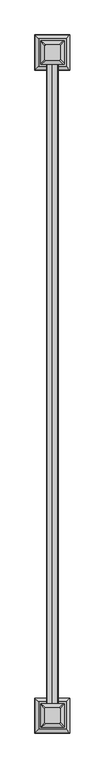
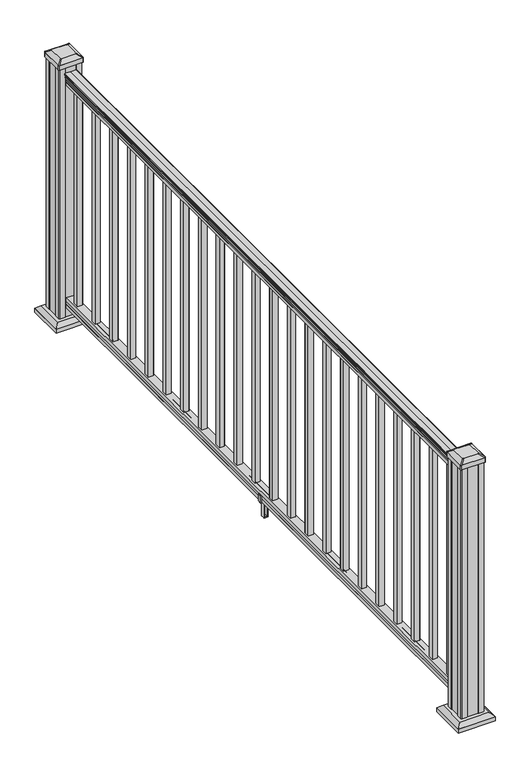
"""IFC4 building model written with IfcOpenShell, lengths in millimetres: railing geometry."""

from ifc_helpers import new_model, si_unit, point, frame, frame_2d, origin, origin_with_axes, place, context, project, spatial, polyline, circle_curve, trimmed, segment, composite_curve, outline, extrude, faceted_brep, source, transform, mapped, element, save
from ifc_brep_helpers import plane_surface, extruded_surface, advanced_brep


def railing_955b9d14(model_context):
    return source(origin(), model_context, "Body", "SolidModel", [
        extrude(outline(composite_curve([segment(trimmed(circle_curve(frame_2d((938.4043297, 953.2427824)), 1.2869144), [point((938.4043297, 951.9558681))], [point((938.4043297, 954.5296968))], False, "CARTESIAN"), True, "CONTINUOUS"), segment(polyline([(938.4043297, 954.5296968), (927.747013, 954.5296968), (926.731013, 953.5136968), (914.4, 953.5136968), (914.4, 985.2636968), (926.8888283, 985.2636968), (927.9048283, 984.2476968), (938.4043297, 984.2476968)]), True, "CONTINUOUS"), segment(trimmed(circle_curve(frame_2d((938.4043297, 985.5346112)), 1.2869144), [point((938.4043297, 984.2476968))], [point((938.4043297, 986.8215255))], False, "CARTESIAN"), True, "CONTINUOUS"), segment(polyline([(938.4043297, 986.8215255), (940.292412, 986.8215255)]), True, "CONTINUOUS"), segment(trimmed(circle_curve(frame_2d((946.0506383, 980.5067723)), 8.545951), [point((940.292412, 986.8215255))], [point((941.8546695, 987.9517118))], False, "CARTESIAN"), True, "CONTINUOUS"), segment(trimmed(circle_curve(frame_2d((945.4636577, 980.9438352)), 7.882584), [point((941.8546695, 987.9517118))], [point((949.0726458, 987.9517118))], False, "CARTESIAN"), True, "CONTINUOUS"), segment(trimmed(circle_curve(frame_2d((951.3112527, 991.4571594)), 4.1592695), [point((949.0726458, 987.9517118))], [point((951.5060812, 987.3024554))], True, "CARTESIAN"), True, "CONTINUOUS"), segment(trimmed(circle_curve(frame_2d((951.2508864, 992.7444659)), 5.4479907), [point((951.5060812, 987.3024554))], [point((955.8362083, 989.8024554))], True, "CARTESIAN"), True, "CONTINUOUS"), segment(trimmed(circle_curve(frame_2d((955.833395, 991.5113075)), 1.7088543), [point((955.8362083, 989.8024554))], [point((957.5157972, 991.2117979))], True, "CARTESIAN"), True, "CONTINUOUS"), segment(trimmed(circle_curve(frame_2d((958.6205318, 989.8944074)), 1.7192895), [point((957.5157972, 991.2117979))], [point((958.6205318, 991.6136969))], False, "CARTESIAN"), True, "CONTINUOUS"), segment(polyline([(958.6205318, 991.6136969), (959.9608158, 991.6136968)]), True, "CONTINUOUS"), segment(trimmed(circle_curve(frame_2d((959.9608158, 990.0602496)), 1.5534472), [point((959.9608158, 991.6136968))], [point((961.514263, 990.0602496))], False, "CARTESIAN"), True, "CONTINUOUS"), segment(polyline([(961.514263, 990.0602496), (961.514263, 969.3886968), (961.514263, 948.717144)]), True, "CONTINUOUS"), segment(trimmed(circle_curve(frame_2d((959.9608158, 948.717144)), 1.5534472), [point((961.514263, 948.717144))], [point((959.9608158, 947.1636968))], False, "CARTESIAN"), True, "CONTINUOUS"), segment(polyline([(959.9608158, 947.1636968), (958.6205318, 947.1636968)]), True, "CONTINUOUS"), segment(trimmed(circle_curve(frame_2d((958.6205318, 948.8829862)), 1.7192895), [point((958.6205318, 947.1636968))], [point((957.5157972, 947.5655957))], False, "CARTESIAN"), True, "CONTINUOUS"), segment(trimmed(circle_curve(frame_2d((955.833395, 947.2660861)), 1.7088543), [point((957.5157972, 947.5655957))], [point((955.8362083, 948.9749382))], True, "CARTESIAN"), True, "CONTINUOUS"), segment(trimmed(circle_curve(frame_2d((951.2508864, 946.0329277)), 5.4479907), [point((955.8362083, 948.9749382))], [point((951.5060812, 951.4749382))], True, "CARTESIAN"), True, "CONTINUOUS"), segment(trimmed(circle_curve(frame_2d((951.3112527, 947.3202343)), 4.1592695), [point((951.5060812, 951.4749382))], [point((949.0726458, 950.8256818))], True, "CARTESIAN"), True, "CONTINUOUS"), segment(trimmed(circle_curve(frame_2d((945.4636577, 957.8335584)), 7.882584), [point((949.0726458, 950.8256818))], [point((941.8546695, 950.8256818))], False, "CARTESIAN"), True, "CONTINUOUS"), segment(trimmed(circle_curve(frame_2d((946.0506383, 958.2706214)), 8.545951), [point((941.8546695, 950.8256818))], [point((940.292412, 951.9558681))], False, "CARTESIAN"), True, "CONTINUOUS"), segment(polyline([(940.292412, 951.9558681), (938.4043297, 951.9558681)]), True, "CONTINUOUS")], self_intersect=False)), frame((0.0, 1991.9647067, 0.0), z_axis=(0.0, 1.0, 0.0), x_axis=(0.0, 0.0, 1.0)), (0.0, 0.0, 1.0), 2438.4),
        extrude(outline(polyline([(76.0541976, 953.4762099), (63.5, 953.4762099), (63.5, 985.2262099), (76.0375508, 985.2262099), (77.3858283, 984.2102099), (87.6975248, 984.2102099), (89.0458024, 985.2262099), (101.5958781, 985.2262099), (101.5958781, 953.4762099), (89.0624492, 953.4762099), (87.7141717, 954.4922099), (77.3546183, 954.4922099), (76.0541976, 953.4762099)])), frame((0.0, 1991.9647067, 0.0), z_axis=(0.0, 1.0, 0.0), x_axis=(0.0, 0.0, 1.0)), (0.0, 0.0, 1.0), 2438.4),
        extrude(outline(polyline([(959.8636968, 4371.0557067), (959.8636968, 4390.1057067), (978.9136968, 4390.1057067), (978.9136968, 4371.0557067), (959.8636968, 4371.0557067)]), holes=[polyline([(960.2605718, 4371.4525817), (978.5168218, 4371.4525817), (978.5168218, 4389.7088317), (960.2605718, 4389.7088317), (960.2605718, 4371.4525817)])]), frame((0.0, 0.0, 101.5958781), z_axis=(0.0, 0.0, 1.0), x_axis=(1.0, 0.0, 0.0)), (0.0, 0.0, 1.0), 812.8041219),
        extrude(outline(polyline([(959.8636968, 4259.8037067), (959.8636968, 4278.8537067), (978.9136968, 4278.8537067), (978.9136968, 4259.8037067), (959.8636968, 4259.8037067)]), holes=[polyline([(960.2605718, 4260.2005817), (978.5168218, 4260.2005817), (978.5168218, 4278.4568317), (960.2605718, 4278.4568317), (960.2605718, 4260.2005817)])]), frame((0.0, 0.0, 101.5958781), z_axis=(0.0, 0.0, 1.0), x_axis=(1.0, 0.0, 0.0)), (0.0, 0.0, 1.0), 812.8041219),
        extrude(outline(polyline([(959.8636968, 4148.5517067), (959.8636968, 4167.6017067), (978.9136968, 4167.6017067), (978.9136968, 4148.5517067), (959.8636968, 4148.5517067)]), holes=[polyline([(960.2605718, 4148.9485817), (978.5168218, 4148.9485817), (978.5168218, 4167.2048317), (960.2605718, 4167.2048317), (960.2605718, 4148.9485817)])]), frame((0.0, 0.0, 101.5958781), z_axis=(0.0, 0.0, 1.0), x_axis=(1.0, 0.0, 0.0)), (0.0, 0.0, 1.0), 812.8041219),
        extrude(outline(polyline([(959.8636968, 4037.2997067), (959.8636968, 4056.3497067), (978.9136968, 4056.3497067), (978.9136968, 4037.2997067), (959.8636968, 4037.2997067)]), holes=[polyline([(960.2605718, 4037.6965817), (978.5168218, 4037.6965817), (978.5168218, 4055.9528317), (960.2605718, 4055.9528317), (960.2605718, 4037.6965817)])]), frame((0.0, 0.0, 101.5958781), z_axis=(0.0, 0.0, 1.0), x_axis=(1.0, 0.0, 0.0)), (0.0, 0.0, 1.0), 812.8041219),
        extrude(outline(polyline([(959.8636968, 3926.0477067), (959.8636968, 3945.0977067), (978.9136968, 3945.0977067), (978.9136968, 3926.0477067), (959.8636968, 3926.0477067)]), holes=[polyline([(960.2605718, 3926.4445817), (978.5168218, 3926.4445817), (978.5168218, 3944.7008317), (960.2605718, 3944.7008317), (960.2605718, 3926.4445817)])]), frame((0.0, 0.0, 101.5958781), z_axis=(0.0, 0.0, 1.0), x_axis=(1.0, 0.0, 0.0)), (0.0, 0.0, 1.0), 812.8041219),
        extrude(outline(polyline([(959.8636968, 3814.7957067), (959.8636968, 3833.8457067), (978.9136968, 3833.8457067), (978.9136968, 3814.7957067), (959.8636968, 3814.7957067)]), holes=[polyline([(960.2605718, 3815.1925817), (978.5168218, 3815.1925817), (978.5168218, 3833.4488317), (960.2605718, 3833.4488317), (960.2605718, 3815.1925817)])]), frame((0.0, 0.0, 101.5958781), z_axis=(0.0, 0.0, 1.0), x_axis=(1.0, 0.0, 0.0)), (0.0, 0.0, 1.0), 812.8041219),
        extrude(outline(polyline([(959.8636968, 3703.5437067), (959.8636968, 3722.5937067), (978.9136968, 3722.5937067), (978.9136968, 3703.5437067), (959.8636968, 3703.5437067)]), holes=[polyline([(960.2605718, 3703.9405817), (978.5168218, 3703.9405817), (978.5168218, 3722.1968317), (960.2605718, 3722.1968317), (960.2605718, 3703.9405817)])]), frame((0.0, 0.0, 101.5958781), z_axis=(0.0, 0.0, 1.0), x_axis=(1.0, 0.0, 0.0)), (0.0, 0.0, 1.0), 812.8041219),
        extrude(outline(polyline([(959.8636968, 3592.2917067), (959.8636968, 3611.3417067), (978.9136968, 3611.3417067), (978.9136968, 3592.2917067), (959.8636968, 3592.2917067)]), holes=[polyline([(960.2605718, 3592.6885817), (978.5168218, 3592.6885817), (978.5168218, 3610.9448317), (960.2605718, 3610.9448317), (960.2605718, 3592.6885817)])]), frame((0.0, 0.0, 101.5958781), z_axis=(0.0, 0.0, 1.0), x_axis=(1.0, 0.0, 0.0)), (0.0, 0.0, 1.0), 812.8041219),
        extrude(outline(polyline([(959.8636968, 3481.0397067), (959.8636968, 3500.0897067), (978.9136968, 3500.0897067), (978.9136968, 3481.0397067), (959.8636968, 3481.0397067)]), holes=[polyline([(960.2605718, 3481.4365817), (978.5168218, 3481.4365817), (978.5168218, 3499.6928317), (960.2605718, 3499.6928317), (960.2605718, 3481.4365817)])]), frame((0.0, 0.0, 101.5958781), z_axis=(0.0, 0.0, 1.0), x_axis=(1.0, 0.0, 0.0)), (0.0, 0.0, 1.0), 812.8041219),
        extrude(outline(polyline([(959.8636968, 3369.7877067), (959.8636968, 3388.8377067), (978.9136968, 3388.8377067), (978.9136968, 3369.7877067), (959.8636968, 3369.7877067)]), holes=[polyline([(960.2605718, 3370.1845817), (978.5168218, 3370.1845817), (978.5168218, 3388.4408317), (960.2605718, 3388.4408317), (960.2605718, 3370.1845817)])]), frame((0.0, 0.0, 101.5958781), z_axis=(0.0, 0.0, 1.0), x_axis=(1.0, 0.0, 0.0)), (0.0, 0.0, 1.0), 812.8041219),
        extrude(outline(polyline([(959.8636968, 3258.5357067), (959.8636968, 3277.5857067), (978.9136968, 3277.5857067), (978.9136968, 3258.5357067), (959.8636968, 3258.5357067)]), holes=[polyline([(960.2605718, 3258.9325817), (978.5168218, 3258.9325817), (978.5168218, 3277.1888317), (960.2605718, 3277.1888317), (960.2605718, 3258.9325817)])]), frame((0.0, 0.0, 101.5958781), z_axis=(0.0, 0.0, 1.0), x_axis=(1.0, 0.0, 0.0)), (0.0, 0.0, 1.0), 812.8041219),
        extrude(outline(polyline([(88.7203979, 987.5496956), (88.7203979, 985.517696), (87.7043953, 984.5016962), (77.2686081, 984.5016962), (76.2526073, 985.517696), (64.262001, 985.517696), (63.5000019, 984.7556969), (63.5000019, 954.0216957), (64.262001, 953.2596966), (76.2526073, 953.2596966), (77.2686081, 954.2756964), (87.7043953, 954.2756964), (88.7203979, 953.2596966), (88.7203979, 951.227697), (87.9583969, 950.465696), (61.4680023, 950.465696), (60.7060013, 951.227697), (60.7060013, 961.2606961), (59.9440012, 962.0226962), (0.762001, 962.0226962), (0.0, 962.7846972), (0.0, 975.9926964), (0.7620001, 976.7546965), (59.9440012, 976.7546965), (60.7060013, 977.5166966), (60.7060013, 987.5496956), (61.4680023, 988.3116967), (87.9583969, 988.3116967), (88.7203979, 987.5496956)]), holes=[polyline([(60.7060013, 965.9596964), (60.7060013, 972.8176962), (59.9440012, 973.5796963), (3.9370003, 973.5796963), (3.1750031, 972.8176991), (3.1750031, 965.9596964), (3.9370031, 965.1976963), (59.9440012, 965.1976963), (60.7060013, 965.9596964)])]), frame((0.0, 3205.0687067, 0.0), z_axis=(0.0, 1.0, 0.0), x_axis=(0.0, 0.0, 1.0)), (0.0, 0.0, 1.0), 14.732),
        extrude(outline(polyline([(959.8636968, 3147.2837067), (959.8636968, 3166.3337067), (978.9136968, 3166.3337067), (978.9136968, 3147.2837067), (959.8636968, 3147.2837067)]), holes=[polyline([(960.2605718, 3147.6805817), (978.5168218, 3147.6805817), (978.5168218, 3165.9368317), (960.2605718, 3165.9368317), (960.2605718, 3147.6805817)])]), frame((0.0, 0.0, 101.5958781), z_axis=(0.0, 0.0, 1.0), x_axis=(1.0, 0.0, 0.0)), (0.0, 0.0, 1.0), 812.8041219),
        extrude(outline(polyline([(959.8636968, 3036.0317067), (959.8636968, 3055.0817067), (978.9136968, 3055.0817067), (978.9136968, 3036.0317067), (959.8636968, 3036.0317067)]), holes=[polyline([(960.2605718, 3036.4285817), (978.5168218, 3036.4285817), (978.5168218, 3054.6848317), (960.2605718, 3054.6848317), (960.2605718, 3036.4285817)])]), frame((0.0, 0.0, 101.5958781), z_axis=(0.0, 0.0, 1.0), x_axis=(1.0, 0.0, 0.0)), (0.0, 0.0, 1.0), 812.8041219),
        extrude(outline(polyline([(959.8636968, 2924.7797067), (959.8636968, 2943.8297067), (978.9136968, 2943.8297067), (978.9136968, 2924.7797067), (959.8636968, 2924.7797067)]), holes=[polyline([(960.2605718, 2925.1765817), (978.5168218, 2925.1765817), (978.5168218, 2943.4328317), (960.2605718, 2943.4328317), (960.2605718, 2925.1765817)])]), frame((0.0, 0.0, 101.5958781), z_axis=(0.0, 0.0, 1.0), x_axis=(1.0, 0.0, 0.0)), (0.0, 0.0, 1.0), 812.8041219),
        extrude(outline(polyline([(959.8636968, 2813.5277067), (959.8636968, 2832.5777067), (978.9136968, 2832.5777067), (978.9136968, 2813.5277067), (959.8636968, 2813.5277067)]), holes=[polyline([(960.2605718, 2813.9245817), (978.5168218, 2813.9245817), (978.5168218, 2832.1808317), (960.2605718, 2832.1808317), (960.2605718, 2813.9245817)])]), frame((0.0, 0.0, 101.5958781), z_axis=(0.0, 0.0, 1.0), x_axis=(1.0, 0.0, 0.0)), (0.0, 0.0, 1.0), 812.8041219),
        extrude(outline(polyline([(959.8636968, 2702.2757067), (959.8636968, 2721.3257067), (978.9136968, 2721.3257067), (978.9136968, 2702.2757067), (959.8636968, 2702.2757067)]), holes=[polyline([(960.2605718, 2702.6725817), (978.5168218, 2702.6725817), (978.5168218, 2720.9288317), (960.2605718, 2720.9288317), (960.2605718, 2702.6725817)])]), frame((0.0, 0.0, 101.5958781), z_axis=(0.0, 0.0, 1.0), x_axis=(1.0, 0.0, 0.0)), (0.0, 0.0, 1.0), 812.8041219),
        extrude(outline(polyline([(959.8636968, 2591.0237067), (959.8636968, 2610.0737067), (978.9136968, 2610.0737067), (978.9136968, 2591.0237067), (959.8636968, 2591.0237067)]), holes=[polyline([(960.2605718, 2591.4205817), (978.5168218, 2591.4205817), (978.5168218, 2609.6768317), (960.2605718, 2609.6768317), (960.2605718, 2591.4205817)])]), frame((0.0, 0.0, 101.5958781), z_axis=(0.0, 0.0, 1.0), x_axis=(1.0, 0.0, 0.0)), (0.0, 0.0, 1.0), 812.8041219),
        extrude(outline(polyline([(959.8636968, 2479.7717067), (959.8636968, 2498.8217067), (978.9136968, 2498.8217067), (978.9136968, 2479.7717067), (959.8636968, 2479.7717067)]), holes=[polyline([(960.2605718, 2480.1685817), (978.5168218, 2480.1685817), (978.5168218, 2498.4248317), (960.2605718, 2498.4248317), (960.2605718, 2480.1685817)])]), frame((0.0, 0.0, 101.5958781), z_axis=(0.0, 0.0, 1.0), x_axis=(1.0, 0.0, 0.0)), (0.0, 0.0, 1.0), 812.8041219),
        extrude(outline(polyline([(959.8636968, 2368.5197067), (959.8636968, 2387.5697067), (978.9136968, 2387.5697067), (978.9136968, 2368.5197067), (959.8636968, 2368.5197067)]), holes=[polyline([(960.2605718, 2368.9165817), (978.5168218, 2368.9165817), (978.5168218, 2387.1728317), (960.2605718, 2387.1728317), (960.2605718, 2368.9165817)])]), frame((0.0, 0.0, 101.5958781), z_axis=(0.0, 0.0, 1.0), x_axis=(1.0, 0.0, 0.0)), (0.0, 0.0, 1.0), 812.8041219),
        extrude(outline(polyline([(959.8636968, 2257.2677067), (959.8636968, 2276.3177067), (978.9136968, 2276.3177067), (978.9136968, 2257.2677067), (959.8636968, 2257.2677067)]), holes=[polyline([(960.2605718, 2257.6645817), (978.5168218, 2257.6645817), (978.5168218, 2275.9208317), (960.2605718, 2275.9208317), (960.2605718, 2257.6645817)])]), frame((0.0, 0.0, 101.5958781), z_axis=(0.0, 0.0, 1.0), x_axis=(1.0, 0.0, 0.0)), (0.0, 0.0, 1.0), 812.8041219),
        extrude(outline(polyline([(959.8636968, 2146.0157067), (959.8636968, 2165.0657067), (978.9136968, 2165.0657067), (978.9136968, 2146.0157067), (959.8636968, 2146.0157067)]), holes=[polyline([(960.2605718, 2146.4125817), (978.5168218, 2146.4125817), (978.5168218, 2164.6688317), (960.2605718, 2164.6688317), (960.2605718, 2146.4125817)])]), frame((0.0, 0.0, 101.5958781), z_axis=(0.0, 0.0, 1.0), x_axis=(1.0, 0.0, 0.0)), (0.0, 0.0, 1.0), 812.8041219),
        extrude(outline(polyline([(959.8636968, 2034.7637067), (959.8636968, 2053.8137067), (978.9136968, 2053.8137067), (978.9136968, 2034.7637067), (959.8636968, 2034.7637067)]), holes=[polyline([(960.2605718, 2035.1605817), (978.5168218, 2035.1605817), (978.5168218, 2053.4168317), (960.2605718, 2053.4168317), (960.2605718, 2035.1605817)])]), frame((0.0, 0.0, 101.5958781), z_axis=(0.0, 0.0, 1.0), x_axis=(1.0, 0.0, 0.0)), (0.0, 0.0, 1.0), 812.8041219),
        faceted_brep([(916.8027593, 4419.1807692, 28.575), (1021.9746343, 4419.1807692, 28.575), (1021.9746343, 4524.3526442, 28.575), (916.8027593, 4524.3526442, 28.575), (902.7633062, 4405.1413161, 15.24), (902.7633062, 4538.3920974, 15.24), (1036.0140874, 4538.3920974, 15.24), (1036.0140874, 4405.1413161, 15.24)], [[[0, 1, 2, 3]], [[4, 5, 6, 7]], [[4, 7, 1, 0]], [[7, 6, 2, 1]], [[6, 5, 3, 2]], [[5, 4, 0, 3]]]),
        extrude(outline(polyline([(902.7633062, 4405.1413161), (902.7633062, 4538.3920974), (1036.0140874, 4538.3920974), (1036.0140874, 4405.1413161), (902.7633062, 4405.1413161)])), origin_with_axes(), (0.0, 0.0, 1.0), 15.24),
        advanced_brep(
        [(995.1855718, 4442.7948317, 1012.825), (998.3605718, 4445.9698317, 1012.825), (998.3605718, 4497.5635817, 1012.825), (995.1855718, 4500.7385817, 1012.825), (943.5918218, 4500.7385817, 1012.825), (940.4168218, 4497.5635817, 1012.825), (940.4168218, 4445.9698317, 1012.825), (943.5918218, 4442.7948317, 1012.825), (1011.4574468, 4426.5229567, 1001.522), (927.3199468, 4426.5229567, 1001.522), (924.1449468, 4429.6979567, 1001.522), (924.1449468, 4513.8354567, 1001.522), (927.3199468, 4517.0104567, 1001.522), (1011.4574468, 4517.0104567, 1001.522), (1014.6324468, 4513.8354567, 1001.522), (1014.6324468, 4429.6979567, 1001.522)],
        [
            (0, 1, circle_curve(frame((995.1855718, 4445.9698317, 1012.825), z_axis=(0.0, 0.0, 1.0), x_axis=(0.0, 1.0, 0.0)), 3.175)),
            (1, 2),
            (2, 3, circle_curve(frame((995.1855718, 4497.5635817, 1012.825), z_axis=(0.0, 0.0, 1.0), x_axis=(0.0, 1.0, 0.0)), 3.175)),
            (3, 4),
            (4, 5, circle_curve(frame((943.5918218, 4497.5635817, 1012.825), z_axis=(0.0, 0.0, 1.0), x_axis=(0.0, 1.0, 0.0)), 3.175)),
            (5, 6),
            (6, 7, circle_curve(frame((943.5918218, 4445.9698317, 1012.825), z_axis=(0.0, 0.0, 1.0), x_axis=(0.0, 1.0, 0.0)), 3.175)),
            (7, 0),
            (8, 9),
            (9, 10, circle_curve(frame((927.3199468, 4429.6979567, 1001.522), z_axis=(0.0, 0.0, -1.0), x_axis=(0.0, 1.0, 0.0)), 3.175)),
            (10, 11),
            (11, 12, circle_curve(frame((927.3199468, 4513.8354567, 1001.522), z_axis=(0.0, 0.0, -1.0), x_axis=(0.0, 1.0, 0.0)), 3.175)),
            (12, 13),
            (13, 14, circle_curve(frame((1011.4574468, 4513.8354567, 1001.522), z_axis=(0.0, 0.0, -1.0), x_axis=(0.0, 1.0, 0.0)), 3.175)),
            (14, 15),
            (15, 8, circle_curve(frame((1011.4574468, 4429.6979567, 1001.522), z_axis=(0.0, 0.0, -1.0), x_axis=(0.0, 1.0, 0.0)), 3.175)),
            (15, 1),
            (0, 8),
            (14, 2),
            (13, 3),
            (12, 4),
            (11, 5),
            (10, 6),
            (9, 7),
        ],
        [
            plane_surface(frame((969.3886968, 4471.7667067, 1012.825), z_axis=(0.0, 0.0, 1.0), x_axis=(1.0, 0.0, 0.0))),
            plane_surface(frame((969.3886968, 4471.7667067, 1001.522), z_axis=(0.0, 0.0, -1.0), x_axis=(1.0, 0.0, 0.0))),
            extruded_surface(trimmed(circle_curve(frame((1011.4574468, 4429.6979567, 1001.522), z_axis=(0.0, 0.0, 1.0), x_axis=(0.0, 1.0, 0.0)), 3.175), [point((1011.4574468, 4426.5229567, 1001.522))], [point((1014.6324468, 4429.6979567, 1001.522))], True, "CARTESIAN"), (-16.27187499999991, 16.271875000000364, 11.302999999999997), 25.637972638866334),
            plane_surface(frame((1014.6324468, 4471.7667067, 1001.522), z_axis=(0.5705009161540779, 0.0, 0.8212969649690408), x_axis=(0.0, 1.0, 0.0))),
            extruded_surface(trimmed(circle_curve(frame((1011.4574468, 4513.8354567, 1001.522), z_axis=(0.0, 0.0, 1.0), x_axis=(0.0, 1.0, 0.0)), 3.175), [point((1014.6324468, 4513.8354567, 1001.522))], [point((1011.4574468, 4517.0104567, 1001.522))], True, "CARTESIAN"), (-16.27187499999991, -16.271874999999454, 11.302999999999997), 25.637972638865758),
            plane_surface(frame((969.3886968, 4517.0104567, 1001.522), z_axis=(0.0, 0.5705009161540291, 0.8212969649690747), x_axis=(-1.0, 0.0, 0.0))),
            extruded_surface(trimmed(circle_curve(frame((927.3199468, 4513.8354567, 1001.522), z_axis=(0.0, 0.0, 1.0), x_axis=(0.0, 1.0, 0.0)), 3.175), [point((927.3199468, 4517.0104567, 1001.522))], [point((924.1449468, 4513.8354567, 1001.522))], True, "CARTESIAN"), (16.271875000000023, -16.271874999999454, 11.302999999999997), 25.63797263886583),
            plane_surface(frame((924.1449468, 4471.7667067, 1001.522), z_axis=(-0.5705009161540141, 0.0, 0.8212969649690851), x_axis=(0.0, -1.0, 0.0))),
            extruded_surface(trimmed(circle_curve(frame((927.3199468, 4429.6979567, 1001.522), z_axis=(0.0, 0.0, 1.0), x_axis=(0.0, 1.0, 0.0)), 3.175), [point((924.1449468, 4429.6979567, 1001.522))], [point((927.3199468, 4426.5229567, 1001.522))], True, "CARTESIAN"), (16.271875000000023, 16.271875000000364, 11.302999999999997), 25.637972638866405),
            plane_surface(frame((969.3886968, 4426.5229567, 1001.522), z_axis=(0.0, -0.570500916154034, 0.8212969649690713), x_axis=(1.0, 0.0, 0.0))),
        ],
        [
            (0, [[1, 2, 3, 4, 5, 6, 7, 8]]),
            (1, [[9, 10, 11, 12, 13, 14, 15, 16]]),
            (2, [[-16, 17, -1, 18]]),
            (3, [[-15, 19, -2, -17]]),
            (4, [[-14, 20, -3, -19]]),
            (5, [[-13, 21, -4, -20]]),
            (6, [[-12, 22, -5, -21]]),
            (7, [[-11, 23, -6, -22]]),
            (8, [[-10, 24, -7, -23]]),
            (9, [[-9, -18, -8, -24]]),
        ],
    ),
        extrude(outline(composite_curve([segment(polyline([(1011.4574468, 4426.5229567), (927.3199468, 4426.5229567)]), True, "CONTINUOUS"), segment(trimmed(circle_curve(frame_2d((927.3199468, 4429.6979567)), 3.175), [point((927.3199468, 4426.5229567))], [point((924.1449468, 4429.6979567))], False, "CARTESIAN"), True, "CONTINUOUS"), segment(polyline([(924.1449468, 4429.6979567), (924.1449468, 4513.8354567)]), True, "CONTINUOUS"), segment(trimmed(circle_curve(frame_2d((927.3199468, 4513.8354567)), 3.175), [point((924.1449468, 4513.8354567))], [point((927.3199468, 4517.0104567))], False, "CARTESIAN"), True, "CONTINUOUS"), segment(polyline([(927.3199468, 4517.0104567), (1011.4574468, 4517.0104567)]), True, "CONTINUOUS"), segment(trimmed(circle_curve(frame_2d((1011.4574468, 4513.8354567)), 3.175), [point((1011.4574468, 4517.0104567))], [point((1014.6324468, 4513.8354567))], False, "CARTESIAN"), True, "CONTINUOUS"), segment(polyline([(1014.6324468, 4513.8354567), (1014.6324468, 4429.6979567)]), True, "CONTINUOUS"), segment(trimmed(circle_curve(frame_2d((1011.4574468, 4429.6979567)), 3.175), [point((1014.6324468, 4429.6979567))], [point((1011.4574468, 4426.5229567))], False, "CARTESIAN"), True, "CONTINUOUS")], self_intersect=False)), frame((0.0, 0.0, 984.25), z_axis=(0.0, 0.0, 1.0), x_axis=(1.0, 0.0, 0.0)), (0.0, 0.0, 1.0), 17.272),
        extrude(outline(polyline([(1009.0761968, 4430.4917067), (989.4546968, 4430.4917067), (988.6926968, 4432.0792067), (950.0846968, 4432.0792067), (949.3226968, 4430.4917067), (929.7011968, 4430.4917067), (928.1136968, 4432.0792067), (928.1136968, 4451.7007067), (929.7011968, 4452.4627067), (929.7011968, 4491.0707067), (928.1136968, 4491.8327067), (928.1136968, 4511.4542067), (929.7011968, 4513.0417067), (949.3226968, 4513.0417067), (950.0846968, 4511.4542067), (988.6926968, 4511.4542067), (989.4546968, 4513.0417067), (1009.0761968, 4513.0417067), (1010.6636968, 4511.4542067), (1010.6636968, 4491.8327067), (1009.0761968, 4491.0707067), (1009.0761968, 4452.4627067), (1010.6636968, 4451.7007067), (1010.6636968, 4432.0792067), (1009.0761968, 4430.4917067)])), origin_with_axes(), (0.0, 0.0, 1.0), 984.25),
        faceted_brep([(916.8027593, 1897.9767692, 28.575), (1021.9746343, 1897.9767692, 28.575), (1021.9746343, 2003.1486442, 28.575), (916.8027593, 2003.1486442, 28.575), (902.7633062, 1883.9373161, 15.24), (902.7633062, 2017.1880974, 15.24), (1036.0140874, 2017.1880974, 15.24), (1036.0140874, 1883.9373161, 15.24)], [[[0, 1, 2, 3]], [[4, 5, 6, 7]], [[4, 7, 1, 0]], [[7, 6, 2, 1]], [[6, 5, 3, 2]], [[5, 4, 0, 3]]]),
        extrude(outline(polyline([(902.7633062, 1883.9373161), (902.7633062, 2017.1880974), (1036.0140874, 2017.1880974), (1036.0140874, 1883.9373161), (902.7633062, 1883.9373161)])), origin_with_axes(), (0.0, 0.0, 1.0), 15.24),
        advanced_brep(
        [(995.1855718, 1921.5908317, 1012.825), (998.3605718, 1924.7658317, 1012.825), (998.3605718, 1976.3595817, 1012.825), (995.1855718, 1979.5345817, 1012.825), (943.5918218, 1979.5345817, 1012.825), (940.4168218, 1976.3595817, 1012.825), (940.4168218, 1924.7658317, 1012.825), (943.5918218, 1921.5908317, 1012.825), (1011.4574468, 1905.3189567, 1001.522), (927.3199468, 1905.3189567, 1001.522), (924.1449468, 1908.4939567, 1001.522), (924.1449468, 1992.6314567, 1001.522), (927.3199468, 1995.8064567, 1001.522), (1011.4574468, 1995.8064567, 1001.522), (1014.6324468, 1992.6314567, 1001.522), (1014.6324468, 1908.4939567, 1001.522)],
        [
            (0, 1, circle_curve(frame((995.1855718, 1924.7658317, 1012.825), z_axis=(0.0, 0.0, 1.0), x_axis=(0.0, 1.0, 0.0)), 3.175)),
            (1, 2),
            (2, 3, circle_curve(frame((995.1855718, 1976.3595817, 1012.825), z_axis=(0.0, 0.0, 1.0), x_axis=(0.0, 1.0, 0.0)), 3.175)),
            (3, 4),
            (4, 5, circle_curve(frame((943.5918218, 1976.3595817, 1012.825), z_axis=(0.0, 0.0, 1.0), x_axis=(0.0, 1.0, 0.0)), 3.175)),
            (5, 6),
            (6, 7, circle_curve(frame((943.5918218, 1924.7658317, 1012.825), z_axis=(0.0, 0.0, 1.0), x_axis=(0.0, 1.0, 0.0)), 3.175)),
            (7, 0),
            (8, 9),
            (9, 10, circle_curve(frame((927.3199468, 1908.4939567, 1001.522), z_axis=(0.0, 0.0, -1.0), x_axis=(0.0, 1.0, 0.0)), 3.175)),
            (10, 11),
            (11, 12, circle_curve(frame((927.3199468, 1992.6314567, 1001.522), z_axis=(0.0, 0.0, -1.0), x_axis=(0.0, 1.0, 0.0)), 3.175)),
            (12, 13),
            (13, 14, circle_curve(frame((1011.4574468, 1992.6314567, 1001.522), z_axis=(0.0, 0.0, -1.0), x_axis=(0.0, 1.0, 0.0)), 3.175)),
            (14, 15),
            (15, 8, circle_curve(frame((1011.4574468, 1908.4939567, 1001.522), z_axis=(0.0, 0.0, -1.0), x_axis=(0.0, 1.0, 0.0)), 3.175)),
            (15, 1),
            (0, 8),
            (14, 2),
            (13, 3),
            (12, 4),
            (11, 5),
            (10, 6),
            (9, 7),
        ],
        [
            plane_surface(frame((969.3886968, 1950.5627067, 1012.825), z_axis=(0.0, 0.0, 1.0), x_axis=(1.0, 0.0, 0.0))),
            plane_surface(frame((969.3886968, 1950.5627067, 1001.522), z_axis=(0.0, 0.0, -1.0), x_axis=(1.0, 0.0, 0.0))),
            extruded_surface(trimmed(circle_curve(frame((1011.4574468, 1908.4939567, 1001.522), z_axis=(0.0, 0.0, 1.0), x_axis=(0.0, 1.0, 0.0)), 3.175), [point((1011.4574468, 1905.3189567, 1001.522))], [point((1014.6324468, 1908.4939567, 1001.522))], True, "CARTESIAN"), (-16.27187499999991, 16.271875000000136, 11.302999999999997), 25.63797263886619),
            plane_surface(frame((1014.6324468, 1950.5627067, 1001.522), z_axis=(0.5705009161540779, 0.0, 0.8212969649690408), x_axis=(0.0, 1.0, 0.0))),
            extruded_surface(trimmed(circle_curve(frame((1011.4574468, 1992.6314567, 1001.522), z_axis=(0.0, 0.0, 1.0), x_axis=(0.0, 1.0, 0.0)), 3.175), [point((1014.6324468, 1992.6314567, 1001.522))], [point((1011.4574468, 1995.8064567, 1001.522))], True, "CARTESIAN"), (-16.27187499999991, -16.27187499999991, 11.302999999999997), 25.637972638866046),
            plane_surface(frame((969.3886968, 1995.8064567, 1001.522), z_axis=(0.0, 0.5705009161540291, 0.8212969649690747), x_axis=(-1.0, 0.0, 0.0))),
            extruded_surface(trimmed(circle_curve(frame((927.3199468, 1992.6314567, 1001.522), z_axis=(0.0, 0.0, 1.0), x_axis=(0.0, 1.0, 0.0)), 3.175), [point((927.3199468, 1995.8064567, 1001.522))], [point((924.1449468, 1992.6314567, 1001.522))], True, "CARTESIAN"), (16.271875000000023, -16.27187499999991, 11.302999999999997), 25.637972638866117),
            plane_surface(frame((924.1449468, 1950.5627067, 1001.522), z_axis=(-0.5705009161540141, 0.0, 0.8212969649690851), x_axis=(0.0, -1.0, 0.0))),
            extruded_surface(trimmed(circle_curve(frame((927.3199468, 1908.4939567, 1001.522), z_axis=(0.0, 0.0, 1.0), x_axis=(0.0, 1.0, 0.0)), 3.175), [point((924.1449468, 1908.4939567, 1001.522))], [point((927.3199468, 1905.3189567, 1001.522))], True, "CARTESIAN"), (16.271875000000023, 16.271875000000136, 11.302999999999997), 25.637972638866263),
            plane_surface(frame((969.3886968, 1905.3189567, 1001.522), z_axis=(0.0, -0.570500916154034, 0.8212969649690713), x_axis=(1.0, 0.0, 0.0))),
        ],
        [
            (0, [[1, 2, 3, 4, 5, 6, 7, 8]]),
            (1, [[9, 10, 11, 12, 13, 14, 15, 16]]),
            (2, [[-16, 17, -1, 18]]),
            (3, [[-15, 19, -2, -17]]),
            (4, [[-14, 20, -3, -19]]),
            (5, [[-13, 21, -4, -20]]),
            (6, [[-12, 22, -5, -21]]),
            (7, [[-11, 23, -6, -22]]),
            (8, [[-10, 24, -7, -23]]),
            (9, [[-9, -18, -8, -24]]),
        ],
    ),
        extrude(outline(composite_curve([segment(polyline([(1011.4574468, 1905.3189567), (927.3199468, 1905.3189567)]), True, "CONTINUOUS"), segment(trimmed(circle_curve(frame_2d((927.3199468, 1908.4939567)), 3.175), [point((927.3199468, 1905.3189567))], [point((924.1449468, 1908.4939567))], False, "CARTESIAN"), True, "CONTINUOUS"), segment(polyline([(924.1449468, 1908.4939567), (924.1449468, 1992.6314567)]), True, "CONTINUOUS"), segment(trimmed(circle_curve(frame_2d((927.3199468, 1992.6314567)), 3.175), [point((924.1449468, 1992.6314567))], [point((927.3199468, 1995.8064567))], False, "CARTESIAN"), True, "CONTINUOUS"), segment(polyline([(927.3199468, 1995.8064567), (1011.4574468, 1995.8064567)]), True, "CONTINUOUS"), segment(trimmed(circle_curve(frame_2d((1011.4574468, 1992.6314567)), 3.175), [point((1011.4574468, 1995.8064567))], [point((1014.6324468, 1992.6314567))], False, "CARTESIAN"), True, "CONTINUOUS"), segment(polyline([(1014.6324468, 1992.6314567), (1014.6324468, 1908.4939567)]), True, "CONTINUOUS"), segment(trimmed(circle_curve(frame_2d((1011.4574468, 1908.4939567)), 3.175), [point((1014.6324468, 1908.4939567))], [point((1011.4574468, 1905.3189567))], False, "CARTESIAN"), True, "CONTINUOUS")], self_intersect=False)), frame((0.0, 0.0, 984.25), z_axis=(0.0, 0.0, 1.0), x_axis=(1.0, 0.0, 0.0)), (0.0, 0.0, 1.0), 17.272),
        extrude(outline(polyline([(1009.0761968, 1909.2877067), (989.4546968, 1909.2877067), (988.6926968, 1910.8752067), (950.0846968, 1910.8752067), (949.3226968, 1909.2877067), (929.7011968, 1909.2877067), (928.1136968, 1910.8752067), (928.1136968, 1930.4967067), (929.7011968, 1931.2587067), (929.7011968, 1969.8667067), (928.1136968, 1970.6287067), (928.1136968, 1990.2502067), (929.7011968, 1991.8377067), (949.3226968, 1991.8377067), (950.0846968, 1990.2502067), (988.6926968, 1990.2502067), (989.4546968, 1991.8377067), (1009.0761968, 1991.8377067), (1010.6636968, 1990.2502067), (1010.6636968, 1970.6287067), (1009.0761968, 1969.8667067), (1009.0761968, 1931.2587067), (1010.6636968, 1930.4967067), (1010.6636968, 1910.8752067), (1009.0761968, 1909.2877067)])), origin_with_axes(), (0.0, 0.0, 1.0), 984.25),
    ])


if __name__ == "__main__":
    model = new_model("IFC4")
    model_context = context("Model", 3, world=origin())
    ifc_project = project(units=[si_unit("LENGTHUNIT", "METRE", prefix="MILLI")], contexts=[model_context])
    site = spatial("IfcSite", under=ifc_project)
    building = spatial("IfcBuilding", under=site)
    placement = place(None, origin())
    railing_shape = railing_955b9d14(model_context)
    element("IfcRailing", 1, at=placement, inside=building, context=model_context, shape_type="MappedRepresentation", body=[
        mapped(railing_shape, transform((0.0, 0.0, 0.0), x_axis=(1.0, 0.0, 0.0), y_axis=(0.0, 1.0, 0.0), z_axis=(0.0, 0.0, 1.0))),
    ])
    save(model, "model.ifc")
